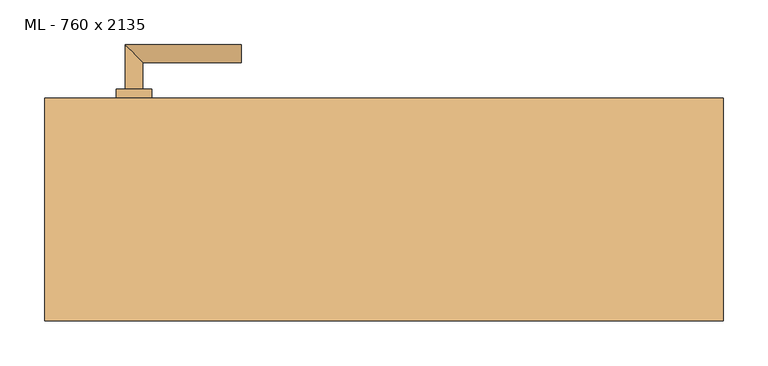
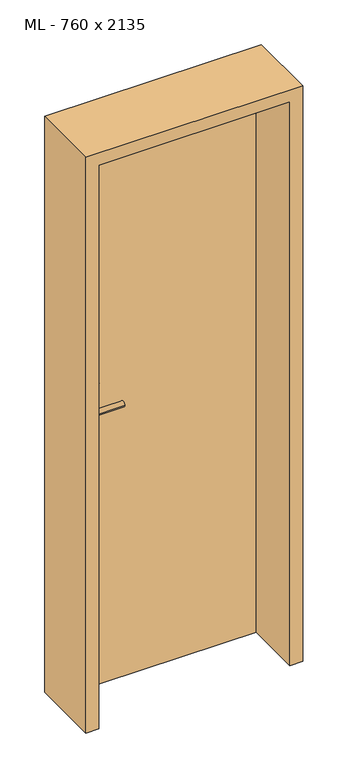
"""IFC4 building model written with IfcOpenShell, lengths in millimetres: door geometry, ML - 760 x 2135."""

from ifc_helpers import new_model, si_unit, point, frame, frame_2d, origin, origin_with_axes, place, context, project, spatial, polyline, circle_curve, ellipse_curve, trimmed, segment, composite_curve, outline, extrude, faceted_brep, source, transform, mapped, element, save
from ifc_brep_helpers import plane_surface, cylinder_surface, advanced_brep


def ml_760_x_2135_cf403aa1(model_context):
    return source(origin(), model_context, "Body", "SolidModel", [
        extrude(outline(polyline([(346.0, 125.0), (346.0, 80.0), (-346.0, 80.0), (-346.0, 125.0), (346.0, 125.0)])), origin_with_axes(), (0.0, 0.0, 1.0), 2101.0),
        advanced_brep(
        [(-270.0, 135.0, 1050.0), (-290.0, 135.0, 1050.0), (-270.0, 165.0, 1050.0), (-290.0, 185.0, 1050.0), (-160.0, 165.0, 1050.0), (-160.0, 185.0, 1050.0)],
        [
            (0, 1, circle_curve(frame((-280.0, 135.0, 1050.0), z_axis=(0.0, -1.0, 0.0), x_axis=(-1.0, 0.0, 0.0)), 10.0)),
            (1, 0, circle_curve(frame((-280.0, 135.0, 1050.0), z_axis=(0.0, -1.0, 0.0), x_axis=(-1.0, 0.0, 0.0)), 10.0)),
            (0, 2),
            (2, 3, ellipse_curve(frame((-280.0, 175.0, 1050.0), z_axis=(-0.7071067811865531, -0.7071067811865419, 0.0), x_axis=(0.707106781186542, -0.707106781186553, 0.0)), 14.1421356, 10.0)),
            (3, 1),
            (3, 2, ellipse_curve(frame((-280.0, 175.0, 1050.0), z_axis=(-0.7071067811865531, -0.7071067811865419, 0.0), x_axis=(0.707106781186542, -0.707106781186553, 0.0)), 14.1421356, 10.0)),
            (4, 5, circle_curve(frame((-160.0, 175.0, 1050.0), z_axis=(1.0, 0.0, 0.0), x_axis=(0.0, 1.0, 0.0)), 10.0)),
            (5, 4, circle_curve(frame((-160.0, 175.0, 1050.0), z_axis=(1.0, 0.0, 0.0), x_axis=(0.0, 1.0, 0.0)), 10.0)),
            (2, 4),
            (5, 3),
        ],
        [
            plane_surface(frame((-280.0, 135.0, 1050.0), z_axis=(0.0, -1.0, 0.0), x_axis=(0.0, 0.0, 1.0))),
            cylinder_surface(frame((-280.0, 135.0, 1050.0), z_axis=(0.0, -1.0, 0.0), x_axis=(-1.0, 0.0, 0.0)), 10.0),
            plane_surface(frame((-160.0, 175.0, 1050.0), z_axis=(1.0, 0.0, 0.0), x_axis=(0.0, 0.0, 1.0))),
            cylinder_surface(frame((-280.0, 175.0, 1050.0), z_axis=(-1.0, 0.0, 0.0), x_axis=(0.0, 1.0, 0.0)), 10.0),
        ],
        [
            (0, [[1, 2]]),
            (1, [[-1, 3, 4, 5]]),
            (1, [[-2, -5, 6, -3]]),
            (2, [[7, 8]]),
            (3, [[-4, 9, -8, 10]]),
            (3, [[-6, -10, -7, -9]]),
        ],
    ),
        extrude(outline(composite_curve([segment(trimmed(circle_curve(frame_2d((990.0, -280.0)), 20.0), [point((990.0, -300.0))], [point((990.0, -260.0))], False, "CARTESIAN"), True, "CONTINUOUS"), segment(trimmed(circle_curve(frame_2d((990.0, -280.0)), 20.0), [point((990.0, -260.0))], [point((990.0, -300.0))], False, "CARTESIAN"), True, "CONTINUOUS")], self_intersect=False), holes=[composite_curve([segment(polyline([(976.4601385, -282.397268), (988.4749012, -282.397268)]), True, "CONTINUOUS"), segment(trimmed(circle_curve(frame_2d((995.0361633, -280.0)), 6.9854888), [point((988.4749012, -282.397268))], [point((988.4749012, -277.602732))], True, "CARTESIAN"), True, "CONTINUOUS"), segment(polyline([(988.4749012, -277.602732), (976.4601385, -277.602732)]), True, "CONTINUOUS"), segment(trimmed(circle_curve(frame_2d((976.4601385, -280.0)), 2.397268), [point((976.4601385, -277.602732))], [point((976.4601385, -282.397268))], True, "CARTESIAN"), True, "CONTINUOUS")], self_intersect=False)]), frame((0.0, 125.0, 0.0), z_axis=(0.0, 1.0, 0.0), x_axis=(0.0, 0.0, 1.0)), (0.0, 0.0, 1.0), 10.0),
        advanced_brep(
        [(-270.0, 135.0, 1050.0), (-290.0, 135.0, 1050.0), (-270.0, 165.0, 1050.0), (-290.0, 185.0, 1050.0), (-160.0, 165.0, 1050.0), (-160.0, 185.0, 1050.0)],
        [
            (0, 1, circle_curve(frame((-280.0, 135.0, 1050.0), z_axis=(0.0, -1.0, 0.0), x_axis=(-1.0, 0.0, 0.0)), 10.0)),
            (1, 0, circle_curve(frame((-280.0, 135.0, 1050.0), z_axis=(0.0, -1.0, 0.0), x_axis=(-1.0, 0.0, 0.0)), 10.0)),
            (0, 2),
            (2, 3, ellipse_curve(frame((-280.0, 175.0, 1050.0), z_axis=(-0.7071067811865537, -0.7071067811865414, 0.0), x_axis=(0.7071067811865414, -0.7071067811865536, 0.0)), 14.1421356, 10.0)),
            (3, 1),
            (3, 2, ellipse_curve(frame((-280.0, 175.0, 1050.0), z_axis=(-0.7071067811865537, -0.7071067811865414, 0.0), x_axis=(0.7071067811865414, -0.7071067811865536, 0.0)), 14.1421356, 10.0)),
            (4, 5, circle_curve(frame((-160.0, 175.0, 1050.0), z_axis=(1.0, 0.0, 0.0), x_axis=(0.0, 1.0, 0.0)), 10.0)),
            (5, 4, circle_curve(frame((-160.0, 175.0, 1050.0), z_axis=(1.0, 0.0, 0.0), x_axis=(0.0, 1.0, 0.0)), 10.0)),
            (2, 4),
            (5, 3),
        ],
        [
            plane_surface(frame((-280.0, 135.0, 1050.0), z_axis=(0.0, -1.0, 0.0), x_axis=(0.0, 0.0, 1.0))),
            cylinder_surface(frame((-280.0, 135.0, 1050.0), z_axis=(0.0, -1.0, 0.0), x_axis=(-1.0, 0.0, 0.0)), 10.0),
            plane_surface(frame((-160.0, 175.0, 1050.0), z_axis=(1.0, 0.0, 0.0), x_axis=(0.0, 0.0, 1.0))),
            cylinder_surface(frame((-280.0, 175.0, 1050.0), z_axis=(-1.0, 0.0, 0.0), x_axis=(0.0, 1.0, 0.0)), 10.0),
        ],
        [
            (0, [[1, 2]]),
            (1, [[-1, 3, 4, 5]]),
            (1, [[-2, -5, 6, -3]]),
            (2, [[7, 8]]),
            (3, [[-4, 9, -8, 10]]),
            (3, [[-6, -10, -7, -9]]),
        ],
    ),
        extrude(outline(composite_curve([segment(trimmed(circle_curve(frame_2d((1050.0, -280.0)), 20.0), [point((1050.0, -300.0))], [point((1050.0, -260.0))], False, "CARTESIAN"), True, "CONTINUOUS"), segment(trimmed(circle_curve(frame_2d((1050.0, -280.0)), 20.0), [point((1050.0, -260.0))], [point((1050.0, -300.0))], False, "CARTESIAN"), True, "CONTINUOUS")], self_intersect=False)), frame((0.0, 125.0, 0.0), z_axis=(0.0, 1.0, 0.0), x_axis=(0.0, 0.0, 1.0)), (0.0, 0.0, 1.0), 10.0),
        advanced_brep(
        [(-270.0, 70.0, 1050.0), (-290.0, 70.0, 1050.0), (-290.0, 20.0, 1050.0), (-270.0, 40.0, 1050.0), (-160.0, 40.0, 1050.0), (-160.0, 20.0, 1050.0)],
        [
            (0, 1, circle_curve(frame((-280.0, 70.0, 1050.0), z_axis=(0.0, 1.0, 0.0), x_axis=(-1.0, 0.0, 0.0)), 10.0)),
            (1, 0, circle_curve(frame((-280.0, 70.0, 1050.0), z_axis=(0.0, 1.0, 0.0), x_axis=(-1.0, 0.0, 0.0)), 10.0)),
            (1, 2),
            (2, 3, ellipse_curve(frame((-280.0, 30.0, 1050.0), z_axis=(-0.7071067811865486, 0.7071067811865464, 0.0), x_axis=(0.7071067811865464, 0.7071067811865488, 0.0)), 14.1421356, 10.0)),
            (3, 0),
            (3, 2, ellipse_curve(frame((-280.0, 30.0, 1050.0), z_axis=(-0.7071067811865486, 0.7071067811865464, 0.0), x_axis=(0.7071067811865464, 0.7071067811865488, 0.0)), 14.1421356, 10.0)),
            (4, 5, circle_curve(frame((-160.0, 30.0, 1050.0), z_axis=(1.0, 0.0, 0.0), x_axis=(0.0, -1.0, 0.0)), 10.0)),
            (5, 4, circle_curve(frame((-160.0, 30.0, 1050.0), z_axis=(1.0, 0.0, 0.0), x_axis=(0.0, -1.0, 0.0)), 10.0)),
            (2, 5),
            (4, 3),
        ],
        [
            plane_surface(frame((-280.0, 70.0, 1050.0), z_axis=(0.0, 1.0, 0.0), x_axis=(0.0, 0.0, 1.0))),
            cylinder_surface(frame((-280.0, 70.0, 1050.0), z_axis=(0.0, 1.0, 0.0), x_axis=(-1.0, 0.0, 0.0)), 10.0),
            plane_surface(frame((-160.0, 30.0, 1050.0), z_axis=(1.0, 0.0, 0.0), x_axis=(0.0, 0.0, 1.0))),
            cylinder_surface(frame((-280.0, 30.0, 1050.0), z_axis=(-1.0, 0.0, 0.0), x_axis=(0.0, -1.0, 0.0)), 10.0),
        ],
        [
            (0, [[1, 2]]),
            (1, [[3, 4, 5, -2]]),
            (1, [[-5, 6, -3, -1]]),
            (2, [[7, 8]]),
            (3, [[9, -7, 10, -4]]),
            (3, [[-10, -8, -9, -6]]),
        ],
    ),
        extrude(outline(composite_curve([segment(trimmed(circle_curve(frame_2d((990.0, -280.0)), 20.0), [point((990.0, -300.0))], [point((990.0, -260.0))], False, "CARTESIAN"), True, "CONTINUOUS"), segment(trimmed(circle_curve(frame_2d((990.0, -280.0)), 20.0), [point((990.0, -260.0))], [point((990.0, -300.0))], False, "CARTESIAN"), True, "CONTINUOUS")], self_intersect=False), holes=[composite_curve([segment(polyline([(976.4601385, -282.397268), (988.4749012, -282.397268)]), True, "CONTINUOUS"), segment(trimmed(circle_curve(frame_2d((995.0361633, -280.0)), 6.9854888), [point((988.4749012, -282.397268))], [point((988.4749012, -277.602732))], True, "CARTESIAN"), True, "CONTINUOUS"), segment(polyline([(988.4749012, -277.602732), (976.4601385, -277.602732)]), True, "CONTINUOUS"), segment(trimmed(circle_curve(frame_2d((976.4601385, -280.0)), 2.397268), [point((976.4601385, -277.602732))], [point((976.4601385, -282.397268))], True, "CARTESIAN"), True, "CONTINUOUS")], self_intersect=False)]), frame((0.0, 70.0, 0.0), z_axis=(0.0, 1.0, 0.0), x_axis=(0.0, 0.0, 1.0)), (0.0, 0.0, 1.0), 10.0),
        advanced_brep(
        [(-270.0, 70.0, 1050.0), (-290.0, 70.0, 1050.0), (-290.0, 20.0, 1050.0), (-270.0, 40.0, 1050.0), (-160.0, 40.0, 1050.0), (-160.0, 20.0, 1050.0)],
        [
            (0, 1, circle_curve(frame((-280.0, 70.0, 1050.0), z_axis=(0.0, 1.0, 0.0), x_axis=(-1.0, 0.0, 0.0)), 10.0)),
            (1, 0, circle_curve(frame((-280.0, 70.0, 1050.0), z_axis=(0.0, 1.0, 0.0), x_axis=(-1.0, 0.0, 0.0)), 10.0)),
            (1, 2),
            (2, 3, ellipse_curve(frame((-280.0, 30.0, 1050.0), z_axis=(-0.7071067811865491, 0.7071067811865459, 0.0), x_axis=(0.7071067811865458, 0.7071067811865492, 0.0)), 14.1421356, 10.0)),
            (3, 0),
            (3, 2, ellipse_curve(frame((-280.0, 30.0, 1050.0), z_axis=(-0.7071067811865491, 0.7071067811865459, 0.0), x_axis=(0.7071067811865458, 0.7071067811865492, 0.0)), 14.1421356, 10.0)),
            (4, 5, circle_curve(frame((-160.0, 30.0, 1050.0), z_axis=(1.0, 0.0, 0.0), x_axis=(0.0, -1.0, 0.0)), 10.0)),
            (5, 4, circle_curve(frame((-160.0, 30.0, 1050.0), z_axis=(1.0, 0.0, 0.0), x_axis=(0.0, -1.0, 0.0)), 10.0)),
            (2, 5),
            (4, 3),
        ],
        [
            plane_surface(frame((-280.0, 70.0, 1050.0), z_axis=(0.0, 1.0, 0.0), x_axis=(0.0, 0.0, 1.0))),
            cylinder_surface(frame((-280.0, 70.0, 1050.0), z_axis=(0.0, 1.0, 0.0), x_axis=(-1.0, 0.0, 0.0)), 10.0),
            plane_surface(frame((-160.0, 30.0, 1050.0), z_axis=(1.0, 0.0, 0.0), x_axis=(0.0, 0.0, 1.0))),
            cylinder_surface(frame((-280.0, 30.0, 1050.0), z_axis=(-1.0, 0.0, 0.0), x_axis=(0.0, -1.0, 0.0)), 10.0),
        ],
        [
            (0, [[1, 2]]),
            (1, [[3, 4, 5, -2]]),
            (1, [[-5, 6, -3, -1]]),
            (2, [[7, 8]]),
            (3, [[9, -7, 10, -4]]),
            (3, [[-10, -8, -9, -6]]),
        ],
    ),
        extrude(outline(composite_curve([segment(trimmed(circle_curve(frame_2d((1050.0, -280.0)), 20.0), [point((1050.0, -300.0))], [point((1050.0, -260.0))], False, "CARTESIAN"), True, "CONTINUOUS"), segment(trimmed(circle_curve(frame_2d((1050.0, -280.0)), 20.0), [point((1050.0, -260.0))], [point((1050.0, -300.0))], False, "CARTESIAN"), True, "CONTINUOUS")], self_intersect=False)), frame((0.0, 70.0, 0.0), z_axis=(0.0, 1.0, 0.0), x_axis=(0.0, 0.0, 1.0)), (0.0, 0.0, 1.0), 10.0),
        faceted_brep([(-350.0, 125.0, 0.0), (-350.0, 80.0, 0.0), (-335.0, 80.0, 0.0), (-335.0, -125.0, 0.0), (-380.0, -125.0, 0.0), (-380.0, 125.0, 0.0), (-350.0, 125.0, 2105.0), (-350.0, 80.0, 2105.0), (350.0, 80.0, 2105.0), (350.0, 80.0, 0.0), (335.0, 80.0, 0.0), (335.0, 80.0, 2090.0), (-335.0, 80.0, 2090.0), (-335.0, -125.0, 2090.0), (335.0, -125.0, 2090.0), (335.0, -125.0, 0.0), (380.0, -125.0, 0.0), (380.0, -125.0, 2135.0), (-380.0, -125.0, 2135.0), (-380.0, 125.0, 2135.0), (380.0, 125.0, 2135.0), (380.0, 125.0, 0.0), (350.0, 125.0, 0.0), (350.0, 125.0, 2105.0)], [[[0, 1, 2, 3, 4, 5]], [[1, 0, 6, 7]], [[2, 1, 7, 8, 9, 10, 11, 12]], [[3, 2, 12, 13]], [[4, 3, 13, 14, 15, 16, 17, 18]], [[5, 4, 18, 19]], [[0, 5, 19, 20, 21, 22, 23, 6]], [[20, 17, 16, 21]], [[22, 21, 16, 15, 10, 9]], [[8, 23, 22, 9]], [[14, 11, 10, 15]], [[19, 18, 17, 20]], [[13, 12, 11, 14]], [[7, 6, 23, 8]]]),
    ])


if __name__ == "__main__":
    model = new_model("IFC4")
    model_context = context("Model", 3, world=origin())
    ifc_project = project(units=[si_unit("LENGTHUNIT", "METRE", prefix="MILLI")], contexts=[model_context])
    site = spatial("IfcSite", under=ifc_project)
    building = spatial("IfcBuilding", under=site)
    placement = place(None, origin())
    ml_760_x_2135_shape = ml_760_x_2135_cf403aa1(model_context)
    element("IfcDoor", 1, ObjectType="ML - 760 x 2135", at=placement, inside=building, context=model_context, shape_type="MappedRepresentation", body=[
        mapped(ml_760_x_2135_shape, transform((0.0, 0.0, 0.0), x_axis=(1.0, 0.0, 0.0), y_axis=(0.0, 1.0, 0.0), z_axis=(0.0, 0.0, 1.0))),
    ])
    save(model, "model.ifc")
